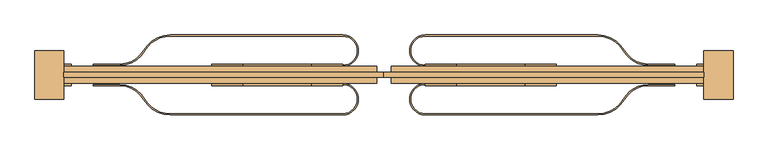
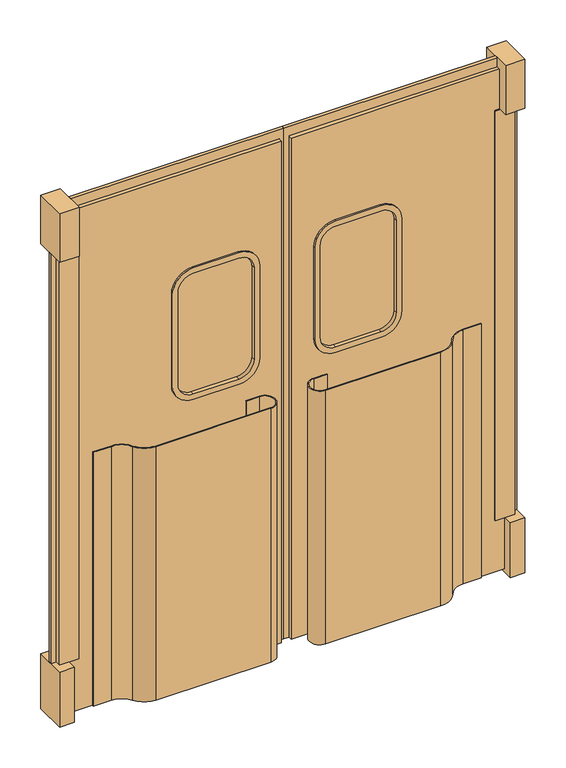
"""IFC4 building model written with IfcOpenShell, lengths in millimetres: door geometry."""

from ifc_helpers import new_model, si_unit, point, frame, frame_2d, origin, origin_with_axes, place, context, project, spatial, polyline, circle_curve, trimmed, segment, composite_curve, outline, extrude, source, transform, mapped, element, save


def door_d4a39131(model_context):
    return source(origin(), model_context, "Body", "SweptSolid", [
        extrude(outline(composite_curve([segment(polyline([(2325.1729971, -888.0410438), (2395.0229971, -888.0410438), (2395.0229971, -891.2160438), (2325.1729971, -891.2160438)]), True, "CONTINUOUS"), segment(trimmed(circle_curve(frame_2d((2325.1729971, -964.2410438)), 73.025), [point((2325.1729971, -891.2160438))], [point((2261.931492, -927.7285438))], True, "CARTESIAN"), True, "CONTINUOUS"), segment(trimmed(circle_curve(frame_2d((2193.1907256, -888.0410438)), 79.375), [point((2261.931492, -927.7285438))], [point((2193.1907256, -967.4160438))], False, "CARTESIAN"), True, "CONTINUOUS"), segment(polyline([(2193.1907256, -967.4160438), (1740.9729971, -967.4160438)]), True, "CONTINUOUS"), segment(trimmed(circle_curve(frame_2d((1740.9729971, -926.1410438)), 41.275), [point((1740.9729971, -967.4160438))], [point((1740.9729971, -884.8660438))], False, "CARTESIAN"), True, "CONTINUOUS"), segment(polyline([(1740.9729971, -884.8660438), (1791.7729971, -884.8660438), (1791.7729971, -888.0410438), (1740.9729971, -888.0410438)]), True, "CONTINUOUS"), segment(trimmed(circle_curve(frame_2d((1740.9729971, -926.1410438)), 38.1), [point((1740.9729971, -888.0410438))], [point((1740.9729971, -964.2410438))], True, "CARTESIAN"), True, "CONTINUOUS"), segment(polyline([(1740.9729971, -964.2410438), (2193.1907256, -964.2410438)]), True, "CONTINUOUS"), segment(trimmed(circle_curve(frame_2d((2193.1907256, -888.0410438)), 76.2), [point((2193.1907256, -964.2410438))], [point((2259.1818613, -926.1410438))], True, "CARTESIAN"), True, "CONTINUOUS"), segment(trimmed(circle_curve(frame_2d((2325.1729971, -964.2410438)), 76.2), [point((2259.1818613, -926.1410438))], [point((2325.1729971, -888.0410438))], False, "CARTESIAN"), True, "CONTINUOUS")], self_intersect=False)), frame((0.0, 0.0, 12.7), z_axis=(0.0, 0.0, 1.0), x_axis=(1.0, 0.0, 0.0)), (0.0, 0.0, 1.0), 1054.1),
        extrude(outline(composite_curve([segment(trimmed(circle_curve(frame_2d((2325.1729971, -761.0410438)), 76.2), [point((2325.1729971, -837.2410438))], [point((2259.1818613, -799.1410438))], False, "CARTESIAN"), True, "CONTINUOUS"), segment(trimmed(circle_curve(frame_2d((2193.1907256, -837.2410438)), 76.2), [point((2259.1818613, -799.1410438))], [point((2193.1907256, -761.0410438))], True, "CARTESIAN"), True, "CONTINUOUS"), segment(polyline([(2193.1907256, -761.0410438), (1740.9729971, -761.0410438)]), True, "CONTINUOUS"), segment(trimmed(circle_curve(frame_2d((1740.9729971, -799.1410438)), 38.1), [point((1740.9729971, -761.0410438))], [point((1740.9729971, -837.2410438))], True, "CARTESIAN"), True, "CONTINUOUS"), segment(polyline([(1740.9729971, -837.2410438), (1791.7729971, -837.2410438), (1791.7729971, -840.4160438), (1740.9729971, -840.4160438)]), True, "CONTINUOUS"), segment(trimmed(circle_curve(frame_2d((1740.9729971, -799.1410438)), 41.275), [point((1740.9729971, -840.4160438))], [point((1740.9729971, -757.8660438))], False, "CARTESIAN"), True, "CONTINUOUS"), segment(polyline([(1740.9729971, -757.8660438), (2193.1907256, -757.8660438)]), True, "CONTINUOUS"), segment(trimmed(circle_curve(frame_2d((2193.1907256, -837.2410438)), 79.375), [point((2193.1907256, -757.8660438))], [point((2261.931492, -797.5535438))], False, "CARTESIAN"), True, "CONTINUOUS"), segment(trimmed(circle_curve(frame_2d((2325.1729971, -761.0410438)), 73.025), [point((2261.931492, -797.5535438))], [point((2325.1729971, -834.0660438))], True, "CARTESIAN"), True, "CONTINUOUS"), segment(polyline([(2325.1729971, -834.0660438), (2395.0229971, -834.0660438), (2395.0229971, -837.2410438), (2325.1729971, -837.2410438)]), True, "CONTINUOUS")], self_intersect=False)), frame((0.0, 0.0, 12.7), z_axis=(0.0, 0.0, 1.0), x_axis=(1.0, 0.0, 0.0)), (0.0, 0.0, 1.0), 1054.1),
        extrude(outline(polyline([(2490.1406968, -926.1410438), (2490.1406968, -799.1410438), (2547.2906968, -799.1410438), (2547.2906968, -926.1410438), (2490.1406968, -926.1410438)])), origin_with_axes(), (0.0, 0.0, 1.0), 228.6),
        extrude(outline(polyline([(2095.5, 1651.9406968), (2095.5, 2471.0906968), (2133.6, 2471.0906968), (2133.6, 1632.8906968), (12.7, 1632.8906968), (12.7, 1651.9406968), (2095.5, 1651.9406968)])), frame((0.0, -868.9910438, 0.0), z_axis=(0.0, 1.0, 0.0), x_axis=(0.0, 0.0, 1.0)), (0.0, 0.0, 1.0), 12.7),
        extrude(outline(polyline([(2528.2406968, -868.9910438), (2528.2406968, -856.2910438), (2547.2906968, -856.2910438), (2547.2906968, -868.9910438), (2528.2406968, -868.9910438)])), frame((0.0, 0.0, 228.6), z_axis=(0.0, 0.0, 1.0), x_axis=(1.0, 0.0, 0.0)), (0.0, 0.0, 1.0), 1701.8),
        extrude(outline(polyline([(2452.0406968, -890.4222938), (2452.0406968, -834.8597938), (2528.2406968, -834.8597938), (2528.2406968, -890.4222938), (2452.0406968, -890.4222938)])), frame((0.0, 0.0, 228.6), z_axis=(0.0, 0.0, 1.0), x_axis=(1.0, 0.0, 0.0)), (0.0, 0.0, 1.0), 1701.8),
        extrude(outline(polyline([(2471.0906968, -926.1410438), (2471.0906968, -799.1410438), (2547.2906968, -799.1410438), (2547.2906968, -926.1410438), (2471.0906968, -926.1410438)])), frame((0.0, 0.0, 1930.4), z_axis=(0.0, 0.0, 1.0), x_axis=(1.0, 0.0, 0.0)), (0.0, 0.0, 1.0), 203.2),
        extrude(outline(composite_curve([segment(trimmed(circle_curve(frame_2d((1609.725, 1826.5656968)), 63.5), [point((1673.225, 1826.5656968))], [point((1609.725, 1763.0656968))], False, "CARTESIAN"), True, "CONTINUOUS"), segment(polyline([(1609.725, 1763.0656968), (1235.075, 1763.0656968)]), True, "CONTINUOUS"), segment(trimmed(circle_curve(frame_2d((1235.075, 1826.5656968)), 63.5), [point((1235.075, 1763.0656968))], [point((1171.575, 1826.5656968))], False, "CARTESIAN"), True, "CONTINUOUS"), segment(polyline([(1171.575, 1826.5656968), (1171.575, 1998.0156968)]), True, "CONTINUOUS"), segment(trimmed(circle_curve(frame_2d((1235.075, 1998.0156968)), 63.5), [point((1171.575, 1998.0156968))], [point((1235.075, 2061.5156968))], False, "CARTESIAN"), True, "CONTINUOUS"), segment(polyline([(1235.075, 2061.5156968), (1609.725, 2061.5156968)]), True, "CONTINUOUS"), segment(trimmed(circle_curve(frame_2d((1609.725, 1998.0156968)), 63.5), [point((1609.725, 2061.5156968))], [point((1673.225, 1998.0156968))], False, "CARTESIAN"), True, "CONTINUOUS"), segment(polyline([(1673.225, 1998.0156968), (1673.225, 1826.5656968)]), True, "CONTINUOUS")], self_intersect=False)), frame((0.0, -875.3410438, 0.0), z_axis=(0.0, 1.0, 0.0), x_axis=(0.0, 0.0, 1.0)), (0.0, 0.0, 1.0), 25.4),
        extrude(outline(composite_curve([segment(polyline([(1695.45, 2001.1906968), (1695.45, 1823.3906968)]), True, "CONTINUOUS"), segment(trimmed(circle_curve(frame_2d((1612.9, 1823.3906968)), 82.55), [point((1695.45, 1823.3906968))], [point((1612.9, 1740.8406968))], False, "CARTESIAN"), True, "CONTINUOUS"), segment(polyline([(1612.9, 1740.8406968), (1231.9, 1740.8406968)]), True, "CONTINUOUS"), segment(trimmed(circle_curve(frame_2d((1231.9, 1823.3906968)), 82.55), [point((1231.9, 1740.8406968))], [point((1149.35, 1823.3906968))], False, "CARTESIAN"), True, "CONTINUOUS"), segment(polyline([(1149.35, 1823.3906968), (1149.35, 2001.1906968)]), True, "CONTINUOUS"), segment(trimmed(circle_curve(frame_2d((1231.9, 2001.1906968)), 82.55), [point((1149.35, 2001.1906968))], [point((1231.9, 2083.7406968))], False, "CARTESIAN"), True, "CONTINUOUS"), segment(polyline([(1231.9, 2083.7406968), (1612.9, 2083.7406968)]), True, "CONTINUOUS"), segment(trimmed(circle_curve(frame_2d((1612.9, 2001.1906968)), 82.55), [point((1612.9, 2083.7406968))], [point((1695.45, 2001.1906968))], False, "CARTESIAN"), True, "CONTINUOUS")], self_intersect=False), holes=[composite_curve([segment(trimmed(circle_curve(frame_2d((1231.9, 1823.3906968)), 60.325), [point((1171.575, 1823.3906968))], [point((1231.9, 1763.0656968))], True, "CARTESIAN"), True, "CONTINUOUS"), segment(polyline([(1231.9, 1763.0656968), (1612.9, 1763.0656968)]), True, "CONTINUOUS"), segment(trimmed(circle_curve(frame_2d((1612.9, 1823.3906968)), 60.325), [point((1612.9, 1763.0656968))], [point((1673.225, 1823.3906968))], True, "CARTESIAN"), True, "CONTINUOUS"), segment(polyline([(1673.225, 1823.3906968), (1673.225, 2001.1906968)]), True, "CONTINUOUS"), segment(trimmed(circle_curve(frame_2d((1612.9, 2001.1906968)), 60.325), [point((1673.225, 2001.1906968))], [point((1612.9, 2061.5156968))], True, "CARTESIAN"), True, "CONTINUOUS"), segment(polyline([(1612.9, 2061.5156968), (1231.9, 2061.5156968)]), True, "CONTINUOUS"), segment(trimmed(circle_curve(frame_2d((1231.9, 2001.1906968)), 60.325), [point((1231.9, 2061.5156968))], [point((1171.575, 2001.1906968))], True, "CARTESIAN"), True, "CONTINUOUS"), segment(polyline([(1171.575, 2001.1906968), (1171.575, 1823.3906968)]), True, "CONTINUOUS")], self_intersect=False)]), frame((0.0, -891.2160438, 0.0), z_axis=(0.0, 1.0, 0.0), x_axis=(0.0, 0.0, 1.0)), (0.0, 0.0, 1.0), 57.15),
        extrude(outline(polyline([(2095.5, 1651.9406968), (12.7, 1651.9406968), (12.7, 2490.1406968), (2095.5, 2490.1406968), (2095.5, 1651.9406968)]), holes=[composite_curve([segment(polyline([(1695.45, 1823.3906968), (1695.45, 2001.1906968)]), True, "CONTINUOUS"), segment(trimmed(circle_curve(frame_2d((1612.9, 2001.1906968)), 82.55), [point((1695.45, 2001.1906968))], [point((1612.9, 2083.7406968))], True, "CARTESIAN"), True, "CONTINUOUS"), segment(polyline([(1612.9, 2083.7406968), (1231.9, 2083.7406968)]), True, "CONTINUOUS"), segment(trimmed(circle_curve(frame_2d((1231.9, 2001.1906968)), 82.55), [point((1231.9, 2083.7406968))], [point((1149.35, 2001.1906968))], True, "CARTESIAN"), True, "CONTINUOUS"), segment(polyline([(1149.35, 2001.1906968), (1149.35, 1823.3906968)]), True, "CONTINUOUS"), segment(trimmed(circle_curve(frame_2d((1231.9, 1823.3906968)), 82.55), [point((1149.35, 1823.3906968))], [point((1231.9, 1740.8406968))], True, "CARTESIAN"), True, "CONTINUOUS"), segment(polyline([(1231.9, 1740.8406968), (1612.9, 1740.8406968)]), True, "CONTINUOUS"), segment(trimmed(circle_curve(frame_2d((1612.9, 1823.3906968)), 82.55), [point((1612.9, 1740.8406968))], [point((1695.45, 1823.3906968))], True, "CARTESIAN"), True, "CONTINUOUS")], self_intersect=False)]), frame((0.0, -884.8660438, 0.0), z_axis=(0.0, 1.0, 0.0), x_axis=(0.0, 0.0, 1.0)), (0.0, 0.0, 1.0), 44.45),
        extrude(outline(composite_curve([segment(trimmed(circle_curve(frame_2d((940.6083965, -964.2410438)), 76.2), [point((940.6083965, -888.0410438))], [point((1006.5995322, -926.1410438))], False, "CARTESIAN"), True, "CONTINUOUS"), segment(trimmed(circle_curve(frame_2d((1072.590668, -888.0410438)), 76.2), [point((1006.5995322, -926.1410438))], [point((1072.590668, -964.2410438))], True, "CARTESIAN"), True, "CONTINUOUS"), segment(polyline([(1072.590668, -964.2410438), (1524.8083965, -964.2410438)]), True, "CONTINUOUS"), segment(trimmed(circle_curve(frame_2d((1524.8083965, -926.1410438)), 38.1), [point((1524.8083965, -964.2410438))], [point((1524.8083965, -888.0410438))], True, "CARTESIAN"), True, "CONTINUOUS"), segment(polyline([(1524.8083965, -888.0410438), (1474.0083965, -888.0410438), (1474.0083965, -884.8660438), (1524.8083965, -884.8660438)]), True, "CONTINUOUS"), segment(trimmed(circle_curve(frame_2d((1524.8083965, -926.1410438)), 41.275), [point((1524.8083965, -884.8660438))], [point((1524.8083965, -967.4160438))], False, "CARTESIAN"), True, "CONTINUOUS"), segment(polyline([(1524.8083965, -967.4160438), (1072.590668, -967.4160438)]), True, "CONTINUOUS"), segment(trimmed(circle_curve(frame_2d((1072.590668, -888.0410438)), 79.375), [point((1072.590668, -967.4160438))], [point((1003.8499016, -927.7285438))], False, "CARTESIAN"), True, "CONTINUOUS"), segment(trimmed(circle_curve(frame_2d((940.6083965, -964.2410438)), 73.025), [point((1003.8499016, -927.7285438))], [point((940.6083965, -891.2160438))], True, "CARTESIAN"), True, "CONTINUOUS"), segment(polyline([(940.6083965, -891.2160438), (870.7583965, -891.2160438), (870.7583965, -888.0410438), (940.6083965, -888.0410438)]), True, "CONTINUOUS")], self_intersect=False)), frame((0.0, 0.0, 12.7), z_axis=(0.0, 0.0, 1.0), x_axis=(1.0, 0.0, 0.0)), (0.0, 0.0, 1.0), 1054.1),
        extrude(outline(composite_curve([segment(polyline([(940.6083965, -837.2410438), (870.7583965, -837.2410438), (870.7583965, -834.0660438), (940.6083965, -834.0660438)]), True, "CONTINUOUS"), segment(trimmed(circle_curve(frame_2d((940.6083965, -761.0410438)), 73.025), [point((940.6083965, -834.0660438))], [point((1003.8499016, -797.5535438))], True, "CARTESIAN"), True, "CONTINUOUS"), segment(trimmed(circle_curve(frame_2d((1072.590668, -837.2410438)), 79.375), [point((1003.8499016, -797.5535438))], [point((1072.590668, -757.8660438))], False, "CARTESIAN"), True, "CONTINUOUS"), segment(polyline([(1072.590668, -757.8660438), (1524.8083965, -757.8660438)]), True, "CONTINUOUS"), segment(trimmed(circle_curve(frame_2d((1524.8083965, -799.1410438)), 41.275), [point((1524.8083965, -757.8660438))], [point((1524.8083965, -840.4160438))], False, "CARTESIAN"), True, "CONTINUOUS"), segment(polyline([(1524.8083965, -840.4160438), (1474.0083965, -840.4160438), (1474.0083965, -837.2410438), (1524.8083965, -837.2410438)]), True, "CONTINUOUS"), segment(trimmed(circle_curve(frame_2d((1524.8083965, -799.1410438)), 38.1), [point((1524.8083965, -837.2410438))], [point((1524.8083965, -761.0410438))], True, "CARTESIAN"), True, "CONTINUOUS"), segment(polyline([(1524.8083965, -761.0410438), (1072.590668, -761.0410438)]), True, "CONTINUOUS"), segment(trimmed(circle_curve(frame_2d((1072.590668, -837.2410438)), 76.2), [point((1072.590668, -761.0410438))], [point((1006.5995322, -799.1410438))], True, "CARTESIAN"), True, "CONTINUOUS"), segment(trimmed(circle_curve(frame_2d((940.6083965, -761.0410438)), 76.2), [point((1006.5995322, -799.1410438))], [point((940.6083965, -837.2410438))], False, "CARTESIAN"), True, "CONTINUOUS")], self_intersect=False)), frame((0.0, 0.0, 12.7), z_axis=(0.0, 0.0, 1.0), x_axis=(1.0, 0.0, 0.0)), (0.0, 0.0, 1.0), 1054.1),
        extrude(outline(polyline([(775.6406968, -926.1410438), (718.4906968, -926.1410438), (718.4906968, -799.1410438), (775.6406968, -799.1410438), (775.6406968, -926.1410438)])), origin_with_axes(), (0.0, 0.0, 1.0), 228.6),
        extrude(outline(polyline([(2095.5, 1613.8406968), (12.7, 1613.8406968), (12.7, 1632.8906968), (2133.6, 1632.8906968), (2133.6, 794.6906968), (2095.5, 794.6906968), (2095.5, 1613.8406968)])), frame((0.0, -868.9910438, 0.0), z_axis=(0.0, 1.0, 0.0), x_axis=(0.0, 0.0, 1.0)), (0.0, 0.0, 1.0), 12.7),
        extrude(outline(polyline([(737.5406968, -868.9910438), (718.4906968, -868.9910438), (718.4906968, -856.2910438), (737.5406968, -856.2910438), (737.5406968, -868.9910438)])), frame((0.0, 0.0, 228.6), z_axis=(0.0, 0.0, 1.0), x_axis=(1.0, 0.0, 0.0)), (0.0, 0.0, 1.0), 1701.8),
        extrude(outline(polyline([(813.7406968, -890.4222938), (737.5406968, -890.4222938), (737.5406968, -834.8597938), (813.7406968, -834.8597938), (813.7406968, -890.4222938)])), frame((0.0, 0.0, 228.6), z_axis=(0.0, 0.0, 1.0), x_axis=(1.0, 0.0, 0.0)), (0.0, 0.0, 1.0), 1701.8),
        extrude(outline(polyline([(794.6906968, -926.1410438), (718.4906968, -926.1410438), (718.4906968, -799.1410438), (794.6906968, -799.1410438), (794.6906968, -926.1410438)])), frame((0.0, 0.0, 1930.4), z_axis=(0.0, 0.0, 1.0), x_axis=(1.0, 0.0, 0.0)), (0.0, 0.0, 1.0), 203.2),
        extrude(outline(composite_curve([segment(polyline([(1673.225, 1439.2156968), (1673.225, 1267.7656968)]), True, "CONTINUOUS"), segment(trimmed(circle_curve(frame_2d((1609.725, 1267.7656968)), 63.5), [point((1673.225, 1267.7656968))], [point((1609.725, 1204.2656968))], False, "CARTESIAN"), True, "CONTINUOUS"), segment(polyline([(1609.725, 1204.2656968), (1235.075, 1204.2656968)]), True, "CONTINUOUS"), segment(trimmed(circle_curve(frame_2d((1235.075, 1267.7656968)), 63.5), [point((1235.075, 1204.2656968))], [point((1171.575, 1267.7656968))], False, "CARTESIAN"), True, "CONTINUOUS"), segment(polyline([(1171.575, 1267.7656968), (1171.575, 1439.2156968)]), True, "CONTINUOUS"), segment(trimmed(circle_curve(frame_2d((1235.075, 1439.2156968)), 63.5), [point((1171.575, 1439.2156968))], [point((1235.075, 1502.7156968))], False, "CARTESIAN"), True, "CONTINUOUS"), segment(polyline([(1235.075, 1502.7156968), (1609.725, 1502.7156968)]), True, "CONTINUOUS"), segment(trimmed(circle_curve(frame_2d((1609.725, 1439.2156968)), 63.5), [point((1609.725, 1502.7156968))], [point((1673.225, 1439.2156968))], False, "CARTESIAN"), True, "CONTINUOUS")], self_intersect=False)), frame((0.0, -875.3410438, 0.0), z_axis=(0.0, 1.0, 0.0), x_axis=(0.0, 0.0, 1.0)), (0.0, 0.0, 1.0), 25.4),
        extrude(outline(composite_curve([segment(trimmed(circle_curve(frame_2d((1612.9, 1264.5906968)), 82.55), [point((1695.45, 1264.5906968))], [point((1612.9, 1182.0406968))], False, "CARTESIAN"), True, "CONTINUOUS"), segment(polyline([(1612.9, 1182.0406968), (1231.9, 1182.0406968)]), True, "CONTINUOUS"), segment(trimmed(circle_curve(frame_2d((1231.9, 1264.5906968)), 82.55), [point((1231.9, 1182.0406968))], [point((1149.35, 1264.5906968))], False, "CARTESIAN"), True, "CONTINUOUS"), segment(polyline([(1149.35, 1264.5906968), (1149.35, 1442.3906968)]), True, "CONTINUOUS"), segment(trimmed(circle_curve(frame_2d((1231.9, 1442.3906968)), 82.55), [point((1149.35, 1442.3906968))], [point((1231.9, 1524.9406968))], False, "CARTESIAN"), True, "CONTINUOUS"), segment(polyline([(1231.9, 1524.9406968), (1612.9, 1524.9406968)]), True, "CONTINUOUS"), segment(trimmed(circle_curve(frame_2d((1612.9, 1442.3906968)), 82.55), [point((1612.9, 1524.9406968))], [point((1695.45, 1442.3906968))], False, "CARTESIAN"), True, "CONTINUOUS"), segment(polyline([(1695.45, 1442.3906968), (1695.45, 1264.5906968)]), True, "CONTINUOUS")], self_intersect=False), holes=[composite_curve([segment(polyline([(1171.575, 1442.3906968), (1171.575, 1264.5906968)]), True, "CONTINUOUS"), segment(trimmed(circle_curve(frame_2d((1231.9, 1264.5906968)), 60.325), [point((1171.575, 1264.5906968))], [point((1231.9, 1204.2656968))], True, "CARTESIAN"), True, "CONTINUOUS"), segment(polyline([(1231.9, 1204.2656968), (1612.9, 1204.2656968)]), True, "CONTINUOUS"), segment(trimmed(circle_curve(frame_2d((1612.9, 1264.5906968)), 60.325), [point((1612.9, 1204.2656968))], [point((1673.225, 1264.5906968))], True, "CARTESIAN"), True, "CONTINUOUS"), segment(polyline([(1673.225, 1264.5906968), (1673.225, 1442.3906968)]), True, "CONTINUOUS"), segment(trimmed(circle_curve(frame_2d((1612.9, 1442.3906968)), 60.325), [point((1673.225, 1442.3906968))], [point((1612.9, 1502.7156968))], True, "CARTESIAN"), True, "CONTINUOUS"), segment(polyline([(1612.9, 1502.7156968), (1231.9, 1502.7156968)]), True, "CONTINUOUS"), segment(trimmed(circle_curve(frame_2d((1231.9, 1442.3906968)), 60.325), [point((1231.9, 1502.7156968))], [point((1171.575, 1442.3906968))], True, "CARTESIAN"), True, "CONTINUOUS")], self_intersect=False)]), frame((0.0, -891.2160438, 0.0), z_axis=(0.0, 1.0, 0.0), x_axis=(0.0, 0.0, 1.0)), (0.0, 0.0, 1.0), 57.15),
        extrude(outline(polyline([(2095.5, 1613.8406968), (2095.5, 775.6406968), (12.7, 775.6406968), (12.7, 1613.8406968), (2095.5, 1613.8406968)]), holes=[composite_curve([segment(trimmed(circle_curve(frame_2d((1612.9, 1442.3906968)), 82.55), [point((1695.45, 1442.3906968))], [point((1612.9, 1524.9406968))], True, "CARTESIAN"), True, "CONTINUOUS"), segment(polyline([(1612.9, 1524.9406968), (1231.9, 1524.9406968)]), True, "CONTINUOUS"), segment(trimmed(circle_curve(frame_2d((1231.9, 1442.3906968)), 82.55), [point((1231.9, 1524.9406968))], [point((1149.35, 1442.3906968))], True, "CARTESIAN"), True, "CONTINUOUS"), segment(polyline([(1149.35, 1442.3906968), (1149.35, 1264.5906968)]), True, "CONTINUOUS"), segment(trimmed(circle_curve(frame_2d((1231.9, 1264.5906968)), 82.55), [point((1149.35, 1264.5906968))], [point((1231.9, 1182.0406968))], True, "CARTESIAN"), True, "CONTINUOUS"), segment(polyline([(1231.9, 1182.0406968), (1612.9, 1182.0406968)]), True, "CONTINUOUS"), segment(trimmed(circle_curve(frame_2d((1612.9, 1264.5906968)), 82.55), [point((1612.9, 1182.0406968))], [point((1695.45, 1264.5906968))], True, "CARTESIAN"), True, "CONTINUOUS"), segment(polyline([(1695.45, 1264.5906968), (1695.45, 1442.3906968)]), True, "CONTINUOUS")], self_intersect=False)]), frame((0.0, -884.8660438, 0.0), z_axis=(0.0, 1.0, 0.0), x_axis=(0.0, 0.0, 1.0)), (0.0, 0.0, 1.0), 44.45),
    ])


if __name__ == "__main__":
    model = new_model("IFC4")
    model_context = context("Model", 3, world=origin())
    ifc_project = project(units=[si_unit("LENGTHUNIT", "METRE", prefix="MILLI")], contexts=[model_context])
    site = spatial("IfcSite", under=ifc_project)
    building = spatial("IfcBuilding", under=site)
    placement = place(None, origin())
    door_shape = door_d4a39131(model_context)
    element("IfcDoor", 1, at=placement, inside=building, context=model_context, shape_type="MappedRepresentation", body=[
        mapped(door_shape, transform((0.0, 0.0, 0.0), x_axis=(1.0, 0.0, 0.0), y_axis=(0.0, 1.0, 0.0), z_axis=(0.0, 0.0, 1.0))),
    ])
    save(model, "model.ifc")
